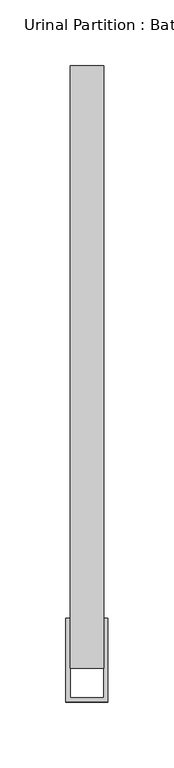
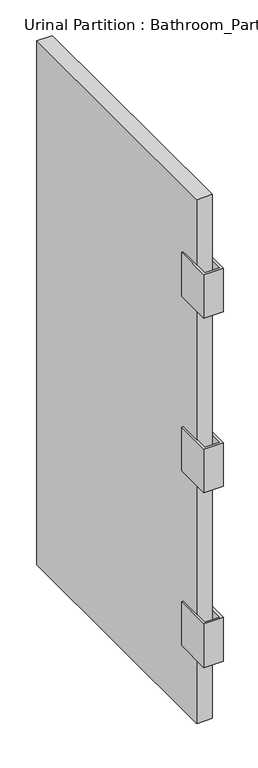
"""IFC4 building model written with IfcOpenShell, lengths in millimetres: flow terminal geometry, Urinal Partition : Bathroom_Partition_6886."""

from ifc_helpers import new_model, si_unit, frame, origin, place, context, project, spatial, polyline, outline, extrude, source, transform, mapped, element, save


def urinal_partition_bathroom_partition_6886_6eace95d(model_context):
    return source(origin(), model_context, "Body", "SweptSolid", [
        extrude(outline(polyline([(0.5814458, 87.3125), (-24.8185542, 87.3125), (-24.8185542, 544.5125), (0.5814458, 544.5125), (0.5814458, 87.3125)])), frame((0.0, 0.0, 457.2), z_axis=(0.0, 0.0, 1.0), x_axis=(1.0, 0.0, 0.0)), (0.0, 0.0, 1.0), 914.4),
        extrude(outline(polyline([(-24.8185542, 65.0875), (0.5814458, 65.0875), (0.5814458, 125.4125), (3.7564458, 125.4125), (3.7564458, 61.9125), (-27.9935542, 61.9125), (-27.9935542, 125.4125), (-24.8185542, 125.4125), (-24.8185542, 65.0875)])), frame((0.0, 0.0, 1181.1), z_axis=(0.0, 0.0, 1.0), x_axis=(1.0, 0.0, 0.0)), (0.0, 0.0, 1.0), 76.2),
        extrude(outline(polyline([(-24.8185542, 65.0875), (0.5814458, 65.0875), (0.5814458, 125.4125), (3.7564458, 125.4125), (3.7564458, 61.9125), (-27.9935542, 61.9125), (-27.9935542, 125.4125), (-24.8185542, 125.4125), (-24.8185542, 65.0875)])), frame((0.0, 0.0, 876.3), z_axis=(0.0, 0.0, 1.0), x_axis=(1.0, 0.0, 0.0)), (0.0, 0.0, 1.0), 76.2),
        extrude(outline(polyline([(-24.8185542, 65.0875), (0.5814458, 65.0875), (0.5814458, 125.4125), (3.7564458, 125.4125), (3.7564458, 61.9125), (-27.9935542, 61.9125), (-27.9935542, 125.4125), (-24.8185542, 125.4125), (-24.8185542, 65.0875)])), frame((0.0, 0.0, 571.5), z_axis=(0.0, 0.0, 1.0), x_axis=(1.0, 0.0, 0.0)), (0.0, 0.0, 1.0), 76.2),
    ])


if __name__ == "__main__":
    model = new_model("IFC4")
    model_context = context("Model", 3, world=origin())
    ifc_project = project(units=[si_unit("LENGTHUNIT", "METRE", prefix="MILLI")], contexts=[model_context])
    site = spatial("IfcSite", under=ifc_project)
    building = spatial("IfcBuilding", under=site)
    placement = place(None, origin())
    urinal_partition_bathroom_partition_6886_shape = urinal_partition_bathroom_partition_6886_6eace95d(model_context)
    element("IfcFlowTerminal", 1, ObjectType="Urinal Partition : Bathroom_Partition_6886", at=placement, inside=building, context=model_context, shape_type="MappedRepresentation", body=[
        mapped(urinal_partition_bathroom_partition_6886_shape, transform((0.0, 0.0, 0.0), x_axis=(1.0, 0.0, 0.0), y_axis=(0.0, 1.0, 0.0), z_axis=(0.0, 0.0, 1.0))),
    ])
    save(model, "model.ifc")
